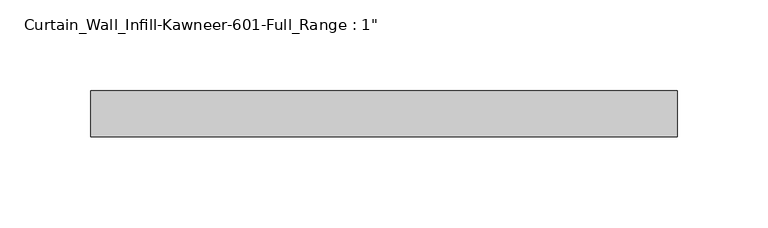
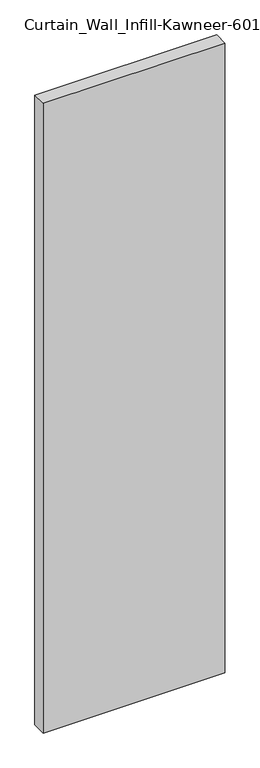
"""IFC4 building model written with IfcOpenShell, lengths in millimetres: plate geometry."""

from ifc_helpers import new_model, si_unit, origin, origin_with_axes, place, context, project, spatial, polyline, outline, extrude, source, transform, mapped, element, save


def plate_c828fb02(model_context):
    return source(origin(), model_context, "Body", "SweptSolid", [
        extrude(outline(polyline([(-161.925, 12.7), (161.925, 12.7), (161.925, -12.7), (-161.925, -12.7), (-161.925, 12.7)])), origin_with_axes(), (0.0, 0.0, 1.0), 1187.45),
    ])


if __name__ == "__main__":
    model = new_model("IFC4")
    model_context = context("Model", 3, world=origin())
    ifc_project = project(units=[si_unit("LENGTHUNIT", "METRE", prefix="MILLI")], contexts=[model_context])
    site = spatial("IfcSite", under=ifc_project)
    building = spatial("IfcBuilding", under=site)
    placement = place(None, origin())
    plate_shape = plate_c828fb02(model_context)
    element("IfcPlate", 1, ObjectType="Curtain_Wall_Infill-Kawneer-601-Full_Range : 1\"", at=placement, inside=building, context=model_context, shape_type="MappedRepresentation", body=[
        mapped(plate_shape, transform((0.0, 0.0, 0.0), x_axis=(1.0, 0.0, 0.0), y_axis=(0.0, 1.0, 0.0), z_axis=(0.0, 0.0, 1.0))),
    ])
    save(model, "model.ifc")
